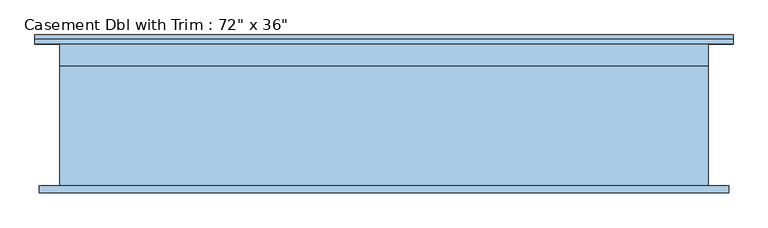
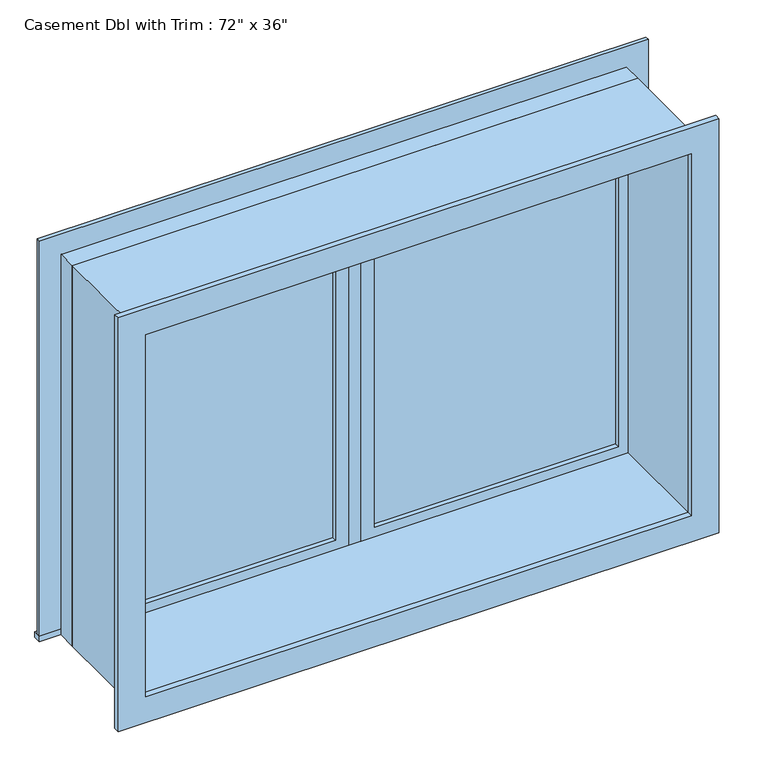
"""IFC4 building model written with IfcOpenShell, lengths in millimetres: window geometry."""

from ifc_helpers import new_model, si_unit, frame, origin, place, context, project, spatial, polyline, outline, extrude, source, transform, mapped, element, save


def window_cf422476(model_context):
    return source(origin(), model_context, "Body", "SweptSolid", [
        extrude(outline(polyline([(63.5, 184.125), (850.9, 184.125), (850.9, 171.425), (63.5, 171.425), (63.5, 184.125)])), frame((0.0, 0.0, 1282.7), z_axis=(0.0, 0.0, 1.0), x_axis=(1.0, 0.0, 0.0)), (0.0, 0.0, 1.0), 1173.0),
        extrude(outline(polyline([(2500.15, 19.05), (1238.25, 19.05), (1238.25, 895.35), (2500.15, 895.35), (2500.15, 19.05)]), holes=[polyline([(2455.7, 63.5), (2455.7, 850.9), (1282.7, 850.9), (1282.7, 63.5), (2455.7, 63.5)])]), frame((0.0, 155.55, 0.0), z_axis=(0.0, 1.0, 0.0), x_axis=(0.0, 0.0, 1.0)), (0.0, 0.0, 1.0), 44.45),
        extrude(outline(polyline([(19.05, 155.55), (-19.05, 155.55), (-19.05, 219.05), (19.05, 219.05), (19.05, 155.55)])), frame((0.0, 0.0, 1238.25), z_axis=(0.0, 0.0, 1.0), x_axis=(1.0, 0.0, 0.0)), (0.0, 0.0, 1.0), 1261.9),
        extrude(outline(polyline([(-984.25, 244.45), (984.25, 244.45), (984.25, 219.05), (-984.25, 219.05), (-984.25, 244.45)])), frame((0.0, 0.0, 1219.2), z_axis=(0.0, 0.0, 1.0), x_axis=(1.0, 0.0, 0.0)), (0.0, 0.0, 1.0), 19.05),
        extrude(outline(polyline([(2500.15, -895.35), (2500.15, 895.35), (1238.25, 895.35), (1238.25, 984.25), (2589.05, 984.25), (2589.05, -984.25), (1238.25, -984.25), (1238.25, -895.35), (2500.15, -895.35)])), frame((0.0, 219.05, 0.0), z_axis=(0.0, 1.0, 0.0), x_axis=(0.0, 0.0, 1.0)), (0.0, 0.0, 1.0), 12.7),
        extrude(outline(polyline([(2576.35, 971.55), (2576.35, -971.55), (1162.05, -971.55), (1162.05, 971.55), (2576.35, 971.55)]), holes=[polyline([(2487.45, 882.65), (1250.95, 882.65), (1250.95, -882.65), (2487.45, -882.65), (2487.45, 882.65)])]), frame((0.0, -200.0, 0.0), z_axis=(0.0, 1.0, 0.0), x_axis=(0.0, 0.0, 1.0)), (0.0, 0.0, 1.0), 19.05),
        extrude(outline(polyline([(-63.5, 171.425), (-850.9, 171.425), (-850.9, 184.125), (-63.5, 184.125), (-63.5, 171.425)])), frame((0.0, 0.0, 1282.7), z_axis=(0.0, 0.0, 1.0), x_axis=(1.0, 0.0, 0.0)), (0.0, 0.0, 1.0), 1173.0),
        extrude(outline(polyline([(2500.15, -895.35), (1238.25, -895.35), (1238.25, -19.05), (2500.15, -19.05), (2500.15, -895.35)]), holes=[polyline([(2455.7, -850.9), (2455.7, -63.5), (1282.7, -63.5), (1282.7, -850.9), (2455.7, -850.9)])]), frame((0.0, 155.55, 0.0), z_axis=(0.0, 1.0, 0.0), x_axis=(0.0, 0.0, 1.0)), (0.0, 0.0, 1.0), 44.45),
        extrude(outline(polyline([(2519.2, -914.4), (1219.2, -914.4), (1219.2, 914.4), (2519.2, 914.4), (2519.2, -914.4)]), holes=[polyline([(2487.45, -882.65), (2487.45, 882.65), (1250.95, 882.65), (1250.95, -882.65), (2487.45, -882.65)])]), frame((0.0, -180.95, 0.0), z_axis=(0.0, 1.0, 0.0), x_axis=(0.0, 0.0, 1.0)), (0.0, 0.0, 1.0), 336.5),
        extrude(outline(polyline([(2519.2, 914.4), (2519.2, -914.4), (1219.2, -914.4), (1219.2, 914.4), (2519.2, 914.4)]), holes=[polyline([(2500.15, 895.35), (1238.25, 895.35), (1238.25, -895.35), (2500.15, -895.35), (2500.15, 895.35)])]), frame((0.0, 155.55, 0.0), z_axis=(0.0, 1.0, 0.0), x_axis=(0.0, 0.0, 1.0)), (0.0, 0.0, 1.0), 63.5),
    ])


if __name__ == "__main__":
    model = new_model("IFC4")
    model_context = context("Model", 3, world=origin())
    ifc_project = project(units=[si_unit("LENGTHUNIT", "METRE", prefix="MILLI")], contexts=[model_context])
    site = spatial("IfcSite", under=ifc_project)
    building = spatial("IfcBuilding", under=site)
    placement = place(None, origin())
    window_shape = window_cf422476(model_context)
    element("IfcWindow", 1, ObjectType="Casement Dbl with Trim : 72\" x 36\"", at=placement, inside=building, context=model_context, shape_type="MappedRepresentation", body=[
        mapped(window_shape, transform((0.0, 0.0, 0.0), x_axis=(1.0, 0.0, 0.0), y_axis=(0.0, 1.0, 0.0), z_axis=(0.0, 0.0, 1.0))),
    ])
    save(model, "model.ifc")
